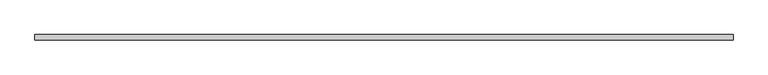
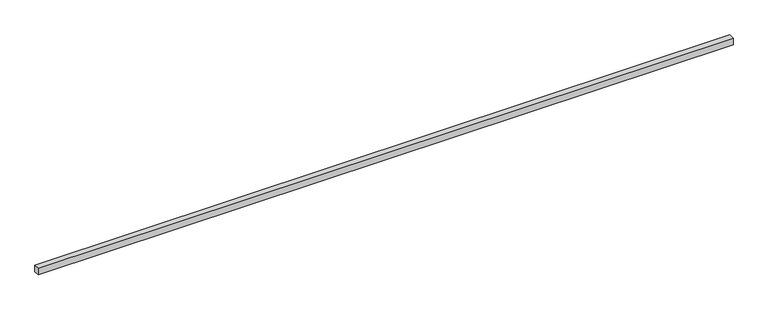
"""IFC4 building model written with IfcOpenShell, lengths in millimetres: proxy geometry."""

from ifc_helpers import new_model, si_unit, frame, origin, place, context, project, spatial, polyline, outline, extrude, source, transform, mapped, element, save


def generic_models_485ac9ac(model_context):
    return source(origin(), model_context, "Body", "SweptSolid", [
        extrude(outline(polyline([(40.0, 0.0), (-40.0, 0.0), (-40.0, 10080.0), (40.0, 10080.0), (40.0, 0.0)])), frame((10080.0, 0.0, 0.0), z_axis=(0.0, -1.9783474858313244e-12, 1.0), x_axis=(0.0, 1.0, 1.9783474858313244e-12)), (0.0, 0.0, 1.0), 100.0),
    ])


if __name__ == "__main__":
    model = new_model("IFC4")
    model_context = context("Model", 3, world=origin())
    ifc_project = project(units=[si_unit("LENGTHUNIT", "METRE", prefix="MILLI")], contexts=[model_context])
    site = spatial("IfcSite", under=ifc_project)
    building = spatial("IfcBuilding", under=site)
    placement = place(None, origin())
    generic_models_shape = generic_models_485ac9ac(model_context)
    element("IfcBuildingElementProxy", 1, Name="Generic Models", at=placement, inside=building, context=model_context, shape_type="MappedRepresentation", body=[
        mapped(generic_models_shape, transform((0.0, 0.0, 0.0), x_axis=(1.0, 0.0, 0.0), y_axis=(0.0, 1.0, 0.0), z_axis=(0.0, 0.0, 1.0))),
    ])
    save(model, "model.ifc")
